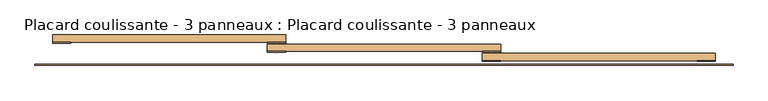
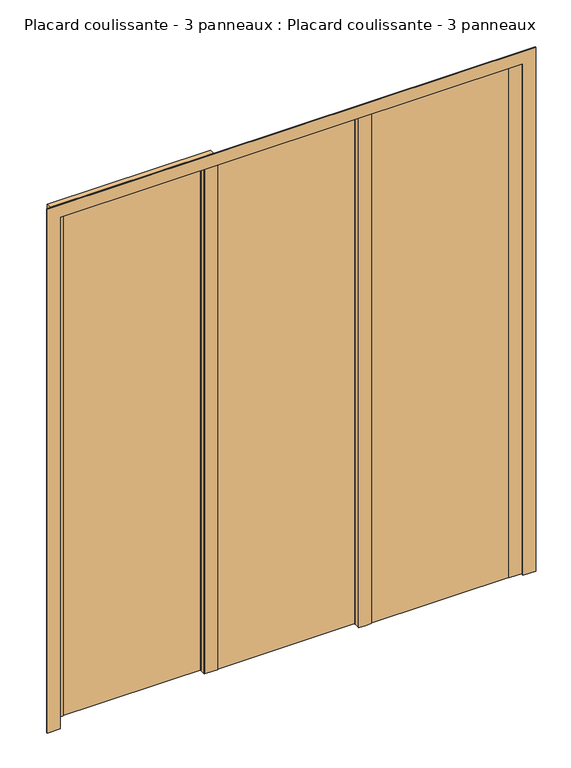
"""IFC4 building model written with IfcOpenShell, lengths in millimetres: door geometry, Placard coulissante - 3 panneaux : Placard coulissante - 3 panneaux."""

from ifc_helpers import new_model, si_unit, point, frame, frame_2d, origin, origin_with_axes, place, context, project, spatial, polyline, circle_curve, trimmed, segment, composite_curve, outline, extrude, source, transform, mapped, element, save


def placard_coulissante_3_panneaux_placard_coulissante_3_b1fc1060(model_context):
    return source(origin(), model_context, "Body", "SweptSolid", [
        extrude(outline(composite_curve([segment(polyline([(900.0, -65.0), (900.0, -67.0)]), True, "CONTINUOUS"), segment(trimmed(circle_curve(frame_2d((875.0, 146.8603852)), 215.3166607), [point((900.0, -67.0))], [point((850.0, -67.0))], False, "CARTESIAN"), True, "CONTINUOUS"), segment(polyline([(850.0, -67.0), (850.0, -65.0), (900.0, -65.0)]), True, "CONTINUOUS")], self_intersect=False)), origin_with_axes(), (0.0, 0.0, 1.0), 2100.0),
        extrude(outline(composite_curve([segment(polyline([(316.6666667, -65.0), (316.6666667, -67.0)]), True, "CONTINUOUS"), segment(trimmed(circle_curve(frame_2d((291.6666667, 146.8603852)), 215.3166607), [point((316.6666667, -67.0))], [point((266.6666667, -67.0))], False, "CARTESIAN"), True, "CONTINUOUS"), segment(polyline([(266.6666667, -67.0), (266.6666667, -65.0), (316.6666667, -65.0)]), True, "CONTINUOUS")], self_intersect=False)), origin_with_axes(), (0.0, 0.0, 1.0), 2100.0),
        extrude(outline(composite_curve([segment(polyline([(316.6666667, -40.0), (316.6666667, -42.0)]), True, "CONTINUOUS"), segment(trimmed(circle_curve(frame_2d((291.6666667, 171.8603852)), 215.3166607), [point((316.6666667, -42.0))], [point((266.6666667, -42.0))], False, "CARTESIAN"), True, "CONTINUOUS"), segment(polyline([(266.6666667, -42.0), (266.6666667, -40.0), (316.6666667, -40.0)]), True, "CONTINUOUS")], self_intersect=False)), origin_with_axes(), (0.0, 0.0, 1.0), 2100.0),
        extrude(outline(composite_curve([segment(polyline([(-266.6666667, -40.0), (-266.6666667, -42.0)]), True, "CONTINUOUS"), segment(trimmed(circle_curve(frame_2d((-291.6666667, 171.8603852)), 215.3166607), [point((-266.6666667, -42.0))], [point((-316.6666667, -42.0))], False, "CARTESIAN"), True, "CONTINUOUS"), segment(polyline([(-316.6666667, -42.0), (-316.6666667, -40.0), (-266.6666667, -40.0)]), True, "CONTINUOUS")], self_intersect=False)), origin_with_axes(), (0.0, 0.0, 1.0), 2100.0),
        extrude(outline(composite_curve([segment(polyline([(-266.6666667, -15.0), (-266.6666667, -17.0)]), True, "CONTINUOUS"), segment(trimmed(circle_curve(frame_2d((-291.6666667, 196.8603852)), 215.3166607), [point((-266.6666667, -17.0))], [point((-316.6666667, -17.0))], False, "CARTESIAN"), True, "CONTINUOUS"), segment(polyline([(-316.6666667, -17.0), (-316.6666667, -15.0), (-266.6666667, -15.0)]), True, "CONTINUOUS")], self_intersect=False)), origin_with_axes(), (0.0, 0.0, 1.0), 2100.0),
        extrude(outline(composite_curve([segment(polyline([(-850.0, -15.0), (-850.0, -17.0)]), True, "CONTINUOUS"), segment(trimmed(circle_curve(frame_2d((-875.0, 196.8603852)), 215.3166607), [point((-850.0, -17.0))], [point((-900.0, -17.0))], False, "CARTESIAN"), True, "CONTINUOUS"), segment(polyline([(-900.0, -17.0), (-900.0, -15.0), (-850.0, -15.0)]), True, "CONTINUOUS")], self_intersect=False)), origin_with_axes(), (0.0, 0.0, 1.0), 2100.0),
        extrude(outline(polyline([(0.0, -948.0), (0.0, -898.0), (2098.0, -898.0), (2098.0, 898.0), (0.0, 898.0), (0.0, 948.0), (2148.0, 948.0), (2148.0, -948.0), (0.0, -948.0)])), frame((0.0, -78.0, 0.0), z_axis=(0.0, 1.0, 0.0), x_axis=(0.0, 0.0, 1.0)), (0.0, 0.0, 1.0), 3.0),
        extrude(outline(polyline([(900.0, -65.0), (266.6666667, -65.0), (266.6666667, -45.0), (900.0, -45.0), (900.0, -65.0)])), origin_with_axes(), (0.0, 0.0, 1.0), 2100.0),
        extrude(outline(polyline([(316.6666667, -40.0), (-316.6666667, -40.0), (-316.6666667, -20.0), (316.6666667, -20.0), (316.6666667, -40.0)])), origin_with_axes(), (0.0, 0.0, 1.0), 2100.0),
        extrude(outline(polyline([(-266.6666667, 5.0), (-266.6666667, -15.0), (-900.0, -15.0), (-900.0, 5.0), (-266.6666667, 5.0)])), origin_with_axes(), (0.0, 0.0, 1.0), 2100.0),
    ])


if __name__ == "__main__":
    model = new_model("IFC4")
    model_context = context("Model", 3, world=origin())
    ifc_project = project(units=[si_unit("LENGTHUNIT", "METRE", prefix="MILLI")], contexts=[model_context])
    site = spatial("IfcSite", under=ifc_project)
    building = spatial("IfcBuilding", under=site)
    placement = place(None, origin())
    placard_coulissante_3_panneaux_placard_coulissante_3_shape = placard_coulissante_3_panneaux_placard_coulissante_3_b1fc1060(model_context)
    element("IfcDoor", 1, ObjectType="Placard coulissante - 3 panneaux : Placard coulissante - 3 panneaux", at=placement, inside=building, context=model_context, shape_type="MappedRepresentation", body=[
        mapped(placard_coulissante_3_panneaux_placard_coulissante_3_shape, transform((0.0, 0.0, 0.0), x_axis=(1.0, 0.0, 0.0), y_axis=(0.0, 1.0, 0.0), z_axis=(0.0, 0.0, 1.0))),
    ])
    save(model, "model.ifc")
